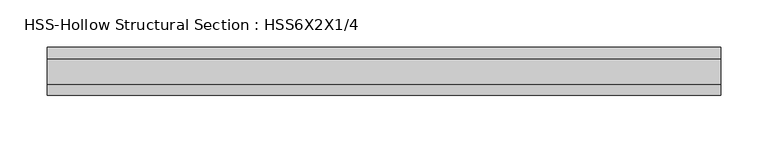
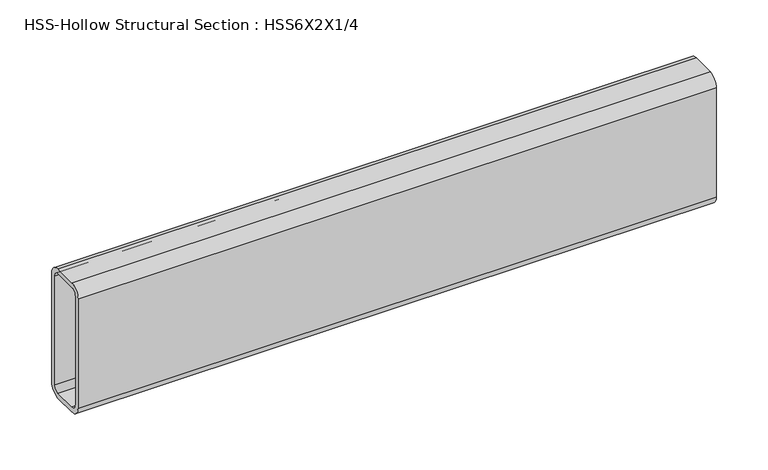
"""IFC4 building model written with IfcOpenShell, lengths in millimetres: beam geometry, HSS-Hollow Structural Section : HSS6X2X1/4."""

from ifc_helpers import new_model, si_unit, point, frame, frame_2d, origin, place, context, project, spatial, polyline, circle_curve, trimmed, segment, composite_curve, outline, extrude, source, transform, mapped, element, save


def hss_hollow_structural_section_hss6x2x1_4_46d1c0e7(model_context):
    return source(origin(), model_context, "Body", "SweptSolid", [
        extrude(outline(composite_curve([segment(polyline([(25.4, 64.3636), (25.4, -64.3636)]), True, "CONTINUOUS"), segment(trimmed(circle_curve(frame_2d((13.5636, -64.3636)), 11.8364), [point((25.4, -64.3636))], [point((13.5636, -76.2))], False, "CARTESIAN"), True, "CONTINUOUS"), segment(polyline([(13.5636, -76.2), (-13.5636, -76.2)]), True, "CONTINUOUS"), segment(trimmed(circle_curve(frame_2d((-13.5636, -64.3636)), 11.8364), [point((-13.5636, -76.2))], [point((-25.4, -64.3636))], False, "CARTESIAN"), True, "CONTINUOUS"), segment(polyline([(-25.4, -64.3636), (-25.4, 64.3636)]), True, "CONTINUOUS"), segment(trimmed(circle_curve(frame_2d((-13.5636, 64.3636)), 11.8364), [point((-25.4, 64.3636))], [point((-13.5636, 76.2))], False, "CARTESIAN"), True, "CONTINUOUS"), segment(polyline([(-13.5636, 76.2), (13.5636, 76.2)]), True, "CONTINUOUS"), segment(trimmed(circle_curve(frame_2d((13.5636, 64.3636)), 11.8364), [point((13.5636, 76.2))], [point((25.4, 64.3636))], False, "CARTESIAN"), True, "CONTINUOUS")], self_intersect=False), holes=[composite_curve([segment(trimmed(circle_curve(frame_2d((-13.5636, 64.3636)), 5.9182), [point((-13.5636, 70.2818))], [point((-19.4818, 64.3636))], True, "CARTESIAN"), True, "CONTINUOUS"), segment(polyline([(-19.4818, 64.3636), (-19.4818, -64.3636)]), True, "CONTINUOUS"), segment(trimmed(circle_curve(frame_2d((-13.5636, -64.3636)), 5.9182), [point((-19.4818, -64.3636))], [point((-13.5636, -70.2818))], True, "CARTESIAN"), True, "CONTINUOUS"), segment(polyline([(-13.5636, -70.2818), (13.5636, -70.2818)]), True, "CONTINUOUS"), segment(trimmed(circle_curve(frame_2d((13.5636, -64.3636)), 5.9182), [point((13.5636, -70.2818))], [point((19.4818, -64.3636))], True, "CARTESIAN"), True, "CONTINUOUS"), segment(polyline([(19.4818, -64.3636), (19.4818, 64.3636)]), True, "CONTINUOUS"), segment(trimmed(circle_curve(frame_2d((13.5636, 64.3636)), 5.9182), [point((19.4818, 64.3636))], [point((13.5636, 70.2818))], True, "CARTESIAN"), True, "CONTINUOUS"), segment(polyline([(13.5636, 70.2818), (-13.5636, 70.2818)]), True, "CONTINUOUS")], self_intersect=False)]), frame((-385.7140587, 0.0, 0.0), z_axis=(1.0, 0.0, 0.0), x_axis=(0.0, 1.0, 0.0)), (0.0, 0.0, 1.0), 711.2),
    ])


if __name__ == "__main__":
    model = new_model("IFC4")
    model_context = context("Model", 3, world=origin())
    ifc_project = project(units=[si_unit("LENGTHUNIT", "METRE", prefix="MILLI")], contexts=[model_context])
    site = spatial("IfcSite", under=ifc_project)
    building = spatial("IfcBuilding", under=site)
    placement = place(None, origin())
    hss_hollow_structural_section_hss6x2x1_4_shape = hss_hollow_structural_section_hss6x2x1_4_46d1c0e7(model_context)
    element("IfcBeam", 1, ObjectType="HSS-Hollow Structural Section : HSS6X2X1/4", at=placement, inside=building, context=model_context, shape_type="MappedRepresentation", body=[
        mapped(hss_hollow_structural_section_hss6x2x1_4_shape, transform((0.0, 0.0, 0.0), x_axis=(1.0, 0.0, 0.0), y_axis=(0.0, 1.0, 0.0), z_axis=(0.0, 0.0, 1.0))),
    ])
    save(model, "model.ifc")
